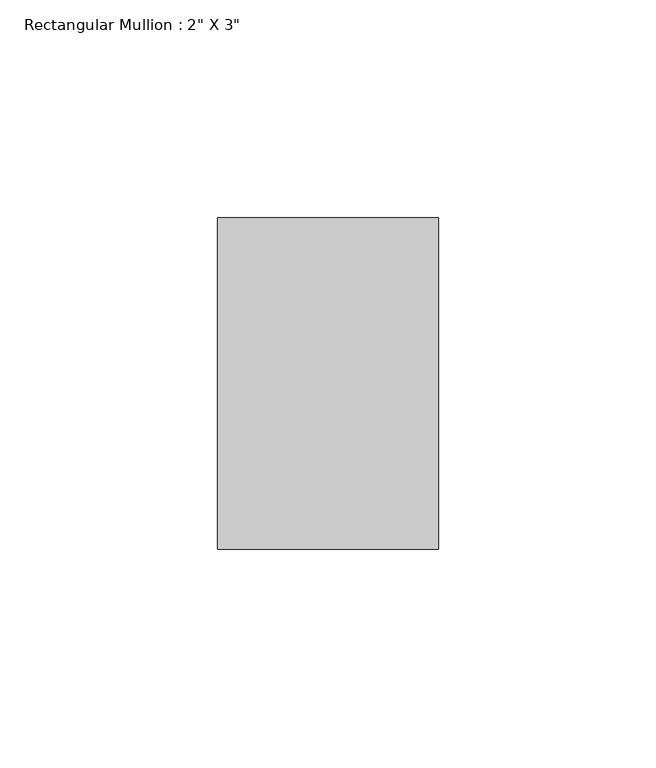
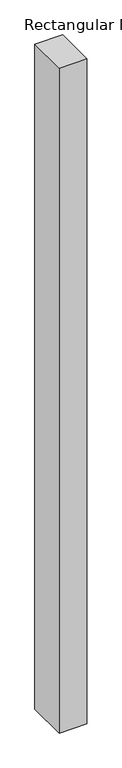
"""IFC4 building model written with IfcOpenShell, lengths in millimetres: member geometry."""

from ifc_helpers import new_model, si_unit, frame, origin, place, context, project, spatial, polyline, outline, extrude, source, transform, mapped, element, save


def member_8510e16c(model_context):
    return source(origin(), model_context, "Body", "SweptSolid", [
        extrude(outline(polyline([(25.4, 63.5), (25.4, -12.7), (-25.4, -12.7), (-25.4, 63.5), (25.4, 63.5)])), frame((0.0, 0.0, -1282.7), z_axis=(0.0, 0.0, 1.0), x_axis=(1.0, 0.0, 0.0)), (0.0, 0.0, 1.0), 1282.7),
    ])


if __name__ == "__main__":
    model = new_model("IFC4")
    model_context = context("Model", 3, world=origin())
    ifc_project = project(units=[si_unit("LENGTHUNIT", "METRE", prefix="MILLI")], contexts=[model_context])
    site = spatial("IfcSite", under=ifc_project)
    building = spatial("IfcBuilding", under=site)
    placement = place(None, origin())
    member_shape = member_8510e16c(model_context)
    element("IfcMember", 1, ObjectType="Rectangular Mullion : 2\" X 3\"", at=placement, inside=building, context=model_context, shape_type="MappedRepresentation", body=[
        mapped(member_shape, transform((0.0, 0.0, 0.0), x_axis=(1.0, 0.0, 0.0), y_axis=(0.0, 1.0, 0.0), z_axis=(0.0, 0.0, 1.0))),
    ])
    save(model, "model.ifc")
